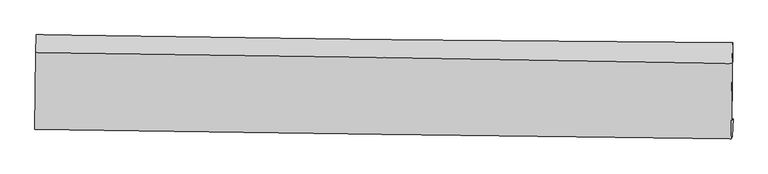
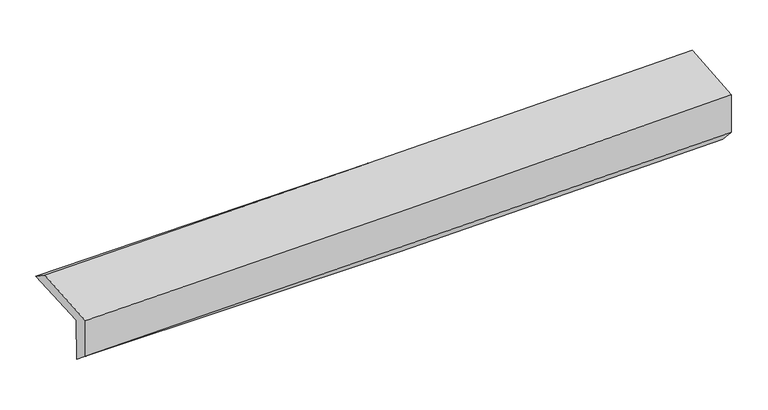
"""IFC4 building model written with IfcOpenShell, lengths in millimetres: proxy geometry."""

from ifc_helpers import new_model, si_unit, frame, origin, place, context, project, spatial, source, transform, mapped, element, save
from ifc_brep_helpers import plane_surface, spline_curve, spline_surface, advanced_brep


def generic_models_818ef852(model_context):
    return source(origin(), model_context, "Body", "AdvancedBrep", [
        advanced_brep(
        [(-3029.0317281, -1763.4785552, 1967.3904431), (-3023.1653873, -1092.5762276, 1996.8031249), (3015.5873338, -1160.831653, 2110.9420675), (3007.2532328, -1841.9560076, 2095.7071531), (-3018.5487882, -1746.2810725, 1565.0756279), (3017.8535165, -1824.56602, 1688.8889116), (-3023.1755391, -1899.056105, 1686.7541412), (3011.6695001, -1979.1800115, 1853.6915432), (-3032.7396468, -1914.7462244, 2053.8059723), (3001.6635099, -1995.5950482, 2237.7019588), (-3027.2888291, -1247.2941235, 2098.0998982), (3008.9216761, -1342.3851615, 2281.1013672)],
        [
            (0, 1),
            (1, 2, spline_curve(3, [(-3023.1653873, -1092.5762276, 1996.8031249), (-2016.284304212, -1108.480415651, 2001.848690528), (-1009.544176835, -1122.120939499, 2013.885354169), (1003.373318189, -1144.871484675, 2051.935568748), (2009.550764623, -1153.982769405, 2077.945219244), (3015.5873338, -1160.831653, 2110.9420675)], [4, 2, 4], [0.0, 9.908511444670332, 19.81425834301424])),
            (2, 3),
            (3, 0, spline_curve(3, [(3007.2532328, -1841.9560076, 2095.7071531), (2001.76987086, -1829.989114821, 2055.604325514), (996.074655986, -1817.466870452, 2024.860038962), (-1016.020212457, -1791.308029786, 1982.082577595), (-2022.419984776, -1777.671123204, 1970.054627804), (-3029.0317281, -1763.4785552, 1967.3904431)], [4, 2, 4], [0.0, 9.90574689834391, 19.81425834301424])),
            (4, 0),
            (3, 5),
            (5, 4, spline_curve(3, [(3017.8535165, -1824.56602, 1688.8889116), (2012.311485461, -1812.695375058, 1651.037692727), (1006.577155896, -1800.237299434, 1621.794547861), (-1005.556838226, -1774.14264456, 1580.518647798), (-2011.956610457, -1760.505737907, 1568.490698147), (-3018.5487882, -1746.2810725, 1565.0756279)], [4, 2, 4], [0.0, 9.904145491511379, 19.8110550824204])),
            (6, 4),
            (5, 7),
            (7, 6, spline_curve(3, [(3011.6695001, -1979.1800115, 1853.6915432), (2005.928109307, -1967.747555739, 1826.072653028), (1000.223822068, -1955.355401219, 1798.353712786), (-1011.391211391, -1928.647968278, 1742.707967948), (-2017.301937617, -1914.332154108, 1714.781107516), (-3023.1755391, -1899.056105, 1686.7541412)], [4, 2, 4], [0.0, 9.903390434558128, 19.809544757788753])),
            (8, 6),
            (7, 9),
            (9, 8, spline_curve(3, [(3001.6635099, -1995.5950482, 2237.7019588), (1996.104231316, -1983.863833791, 2203.093957211), (990.52782656, -1971.261886064, 2170.467152656), (-1020.939883128, -1944.312763911, 2109.167384611), (-2026.831196891, -1929.965103874, 2080.495527097), (-3032.7396468, -1914.7462244, 2053.8059723)], [4, 2, 4], [0.0, 9.903005676690364, 19.80877513467304])),
            (10, 8),
            (9, 11),
            (11, 10, spline_curve(3, [(3008.9216761, -1342.3851615, 2281.1013672), (2003.139223456, -1323.262548552, 2246.97640429), (997.30064557, -1305.777865956, 2214.665674951), (-1014.76949179, -1274.079939052, 2153.664172732), (-2021.001082013, -1259.867608753, 2124.974412316), (-3027.2888291, -1247.2941235, 2098.0998982)], [4, 2, 4], [0.0, 9.904697380000895, 19.812159013423283])),
            (1, 10),
            (11, 2),
        ],
        [
            spline_surface(3, 3, [[(-3029.0317281, -1763.4785552, 1967.3904431), (-2022.419984872, -1777.67112315, 1970.054627931), (-1016.020212587, -1791.308029723, 1982.082577752), (996.074656116, -1817.466870515, 2024.860038805), (2001.769870793, -1829.989114711, 2055.604325653), (3007.2532328, -1841.9560076, 2095.7071531)], [(-3027.076281176, -1539.844446, 1977.194670361), (-2020.374758019, -1554.607553935, 1980.652648738), (-1013.861534009, -1568.245666264, 1992.68350318), (998.507543479, -1593.268408622, 2033.885215472), (2004.363502007, -1604.653666281, 2063.051290208), (3010.031266456, -1614.914556056, 2100.785457881)], [(-3025.120834224, -1316.2103368, 1986.998897639), (-2018.329531138, -1331.543984719, 1991.250669562), (-1011.702855429, -1345.183302801, 2003.284428644), (1000.940430842, -1369.069946725, 2042.910392178), (2006.957133255, -1379.318217883, 2070.498254821), (3012.809300144, -1387.873104544, 2105.863762719)], [(-3023.1653873, -1092.5762276, 1996.8031249), (-2016.284304285, -1108.480415504, 2001.84869037), (-1009.544176851, -1122.120939342, 2013.885354071), (1003.373318205, -1144.871484832, 2051.935568845), (2009.55076447, -1153.982769452, 2077.945219375), (3015.5873338, -1160.831653, 2110.9420675)]], [4, 4], [4, 2, 4], [0.0, 2.2033192346339443], [0.0, 9.908511444670332, 19.81425834301424]),
            spline_surface(3, 3, [[(-3018.5487882, -1746.2810725, 1565.0756279), (-2011.956610459, -1760.505738041, 1568.490698013), (-1005.556838274, -1774.142644715, 1580.518647834), (1006.577155944, -1800.237299279, 1621.794547825), (2012.311485324, -1812.695375113, 1651.037692604), (3017.8535165, -1824.56602, 1688.8889116)], [(-3022.043101472, -1752.01356671, 1699.180566305), (-2015.444401901, -1766.227533054, 1702.345341324), (-1009.044629716, -1779.864439728, 1714.373291146), (1003.076322663, -1805.9804897, 1756.14971149), (2008.797613843, -1818.459954975, 1785.893236975), (3014.32008863, -1830.362682529, 1824.494992121)], [(-3025.537414828, -1757.74606099, 1833.285504695), (-2018.932193429, -1771.949328137, 1836.19998462), (-1012.532421144, -1785.586234711, 1848.227934441), (999.575489397, -1811.723680093, 1890.504875139), (2005.283742273, -1824.22453485, 1920.748781283), (3010.78666067, -1836.159345071, 1960.101072579)], [(-3029.0317281, -1763.4785552, 1967.3904431), (-2022.419984872, -1777.67112315, 1970.054627931), (-1016.020212587, -1791.308029723, 1982.082577752), (996.074656116, -1817.466870515, 2024.860038805), (2001.769870793, -1829.989114711, 2055.604325653), (3007.2532328, -1841.9560076, 2095.7071531)]], [4, 4], [4, 2, 4], [0.0, 1.3215824293358431], [0.0, 9.90690959090902, 19.8110550824204]),
            spline_surface(3, 3, [[(-3023.1755391, -1899.056105, 1686.7541412), (-2017.301937487, -1914.332153947, 1714.781107577), (-1011.391211542, -1928.647968199, 1742.707967966), (1000.223822219, -1955.355401298, 1798.353712768), (2005.928109378, -1967.747555848, 1826.07265307), (3011.6695001, -1979.1800115, 1853.6915432)], [(-3021.633288832, -1848.131094184, 1646.194636773), (-2015.520161843, -1863.056681996, 1666.017637729), (-1009.446420471, -1877.146193677, 1688.644861262), (1002.341600109, -1903.649367264, 1739.500657794), (2008.055901348, -1916.0634956, 1767.727666249), (3013.730838888, -1927.64201433, 1798.757332667)], [(-3020.091038468, -1797.206083316, 1605.635132327), (-2013.738386103, -1811.781209993, 1617.254167862), (-1007.501629345, -1825.644419237, 1634.581754538), (1004.459378054, -1851.943333312, 1680.647602799), (2010.183693354, -1864.379435361, 1709.382679425), (3015.792177712, -1876.10401717, 1743.823122133)], [(-3018.5487882, -1746.2810725, 1565.0756279), (-2011.956610459, -1760.505738041, 1568.490698013), (-1005.556838274, -1774.142644715, 1580.518647834), (1006.577155944, -1800.237299279, 1621.794547825), (2012.311485324, -1812.695375113, 1651.037692604), (3017.8535165, -1824.56602, 1688.8889116)]], [4, 4], [4, 2, 4], [0.0, 0.7530991201329078], [0.0, 9.906154323230625, 19.809544757788753]),
            spline_surface(3, 3, [[(-3032.7396468, -1914.7462244, 2053.8059723), (-2026.831196839, -1929.965103902, 2080.495526942), (-1020.939882967, -1944.312764058, 2109.167384551), (990.527826399, -1971.261885917, 2170.467152716), (1996.104231373, -1983.863833673, 2203.093957276), (3001.6635099, -1995.5950482, 2237.7019588)], [(-3029.551610873, -1909.516184597, 1931.45536192), (-2023.654777028, -1924.754120581, 1958.590720474), (-1017.756992468, -1939.091165439, 1987.014245686), (993.75982503, -1965.959724378, 2046.429339397), (1999.378857356, -1978.491741067, 2077.420189183), (3004.998839948, -1990.123369303, 2109.698486909)], [(-3026.363575027, -1904.286144803, 1809.10475158), (-2020.478357298, -1919.543137268, 1836.685914046), (-1014.574102041, -1933.869566818, 1864.861106831), (996.991823589, -1960.657562837, 1922.391526087), (2002.653483395, -1973.119648453, 1951.746421162), (3008.334170052, -1984.651690397, 1981.695015091)], [(-3023.1755391, -1899.056105, 1686.7541412), (-2017.301937487, -1914.332153947, 1714.781107577), (-1011.391211542, -1928.647968199, 1742.707967966), (1000.223822219, -1955.355401298, 1798.353712768), (2005.928109378, -1967.747555848, 1826.07265307), (3011.6695001, -1979.1800115, 1853.6915432)]], [4, 4], [4, 2, 4], [0.0, 1.213084319332328], [0.0, 9.905769457982677, 19.80877513467304]),
            spline_surface(3, 3, [[(-3027.2888291, -1247.2941235, 2098.0998982), (-2021.001082022, -1259.867608894, 2124.974412241), (-1014.769491642, -1274.079938993, 2153.66417262), (997.300645422, -1305.777866015, 2214.665675063), (2003.13922345, -1323.262548615, 2246.976404383), (3008.9216761, -1342.3851615, 2281.1013672)], [(-3029.105768336, -1469.778157118, 2083.335256246), (-2022.944453631, -1483.233440548, 2110.148117154), (-1016.82628875, -1497.490880687, 2138.831909911), (995.043039082, -1527.605872655, 2199.932834261), (2000.794226119, -1543.462976979, 2232.348922042), (3006.502287394, -1560.121790411, 2266.634897761)], [(-3030.922707564, -1692.262190782, 2068.570614254), (-2024.88782523, -1706.599272248, 2095.321822029), (-1018.883085859, -1720.901822364, 2123.99964726), (992.78543274, -1749.433879277, 2185.199993518), (1998.449228704, -1763.663405309, 2217.721439617), (3004.082898606, -1777.858419289, 2252.168428239)], [(-3032.7396468, -1914.7462244, 2053.8059723), (-2026.831196839, -1929.965103902, 2080.495526942), (-1020.939882967, -1944.312764058, 2109.167384551), (990.527826399, -1971.261885917, 2170.467152716), (1996.104231373, -1983.863833673, 2203.093957276), (3001.6635099, -1995.5950482, 2237.7019588)]], [4, 4], [4, 2, 4], [0.0, 2.1960667822162176], [0.0, 9.907461633422388, 19.812159013423283]),
            spline_surface(3, 3, [[(-3023.1653873, -1092.5762276, 1996.8031249), (-2016.284304285, -1108.480415504, 2001.84869037), (-1009.544176851, -1122.120939342, 2013.885354071), (1003.373318205, -1144.871484832, 2051.935568845), (2009.55076447, -1153.982769452, 2077.945219375), (3015.5873338, -1160.831653, 2110.9420675)], [(-3024.539867911, -1144.148859591, 2030.568715995), (-2017.856563542, -1158.942813325, 2042.890597655), (-1011.285948449, -1172.773939236, 2060.478293611), (1001.349093943, -1198.506945236, 2106.178937608), (2007.413584114, -1210.40936251, 2134.288947705), (3013.365447884, -1221.34948917, 2167.661834061)], [(-3025.914348489, -1195.721491509, 2064.334307105), (-2019.428822765, -1209.405211073, 2083.932504956), (-1013.027720045, -1223.426939099, 2107.071233081), (999.324869684, -1252.14240561, 2160.4223063), (2005.276403806, -1266.835955557, 2190.632676053), (3011.143562016, -1281.86732533, 2224.381600639)], [(-3027.2888291, -1247.2941235, 2098.0998982), (-2021.001082022, -1259.867608894, 2124.974412241), (-1014.769491642, -1274.079938993, 2153.66417262), (997.300645422, -1305.777866015, 2214.665675063), (2003.13922345, -1323.262548615, 2246.976404383), (3008.9216761, -1342.3851615, 2281.1013672)]], [4, 4], [4, 2, 4], [0.0, 0.7141360539021426], [0.0, 9.90938663471765, 19.81600847892453]),
            plane_surface(frame((3010.4914615, -1690.752317, 2044.6721669), z_axis=(0.9995928892325914, -0.012801156293823722, 0.025498748855218554), x_axis=(0.02602396909669128, 0.04269286711631402, -0.9987492538819958))),
            plane_surface(frame((-3025.6583198, -1610.5720514, 1894.654868), z_axis=(-0.9996229565184861, 0.0098640756032227, -0.025625081731280763), x_axis=(-0.008735232423718993, -0.9990022728354965, -0.043796741705472556))),
        ],
        [
            (0, [[1, 2, 3, 4]]),
            (1, [[5, -4, 6, 7]]),
            (2, [[8, -7, 9, 10]]),
            (3, [[11, -10, 12, 13]]),
            (4, [[14, -13, 15, 16]]),
            (5, [[17, -16, 18, -2]]),
            (6, [[-12, -9, -6, -3, -18, -15]]),
            (7, [[-1, -5, -8, -11, -14, -17]]),
        ],
    ),
    ])


if __name__ == "__main__":
    model = new_model("IFC4")
    model_context = context("Model", 3, world=origin())
    ifc_project = project(units=[si_unit("LENGTHUNIT", "METRE", prefix="MILLI")], contexts=[model_context])
    site = spatial("IfcSite", under=ifc_project)
    building = spatial("IfcBuilding", under=site)
    placement = place(None, origin())
    generic_models_shape = generic_models_818ef852(model_context)
    element("IfcBuildingElementProxy", 1, Name="Generic Models", at=placement, inside=building, context=model_context, shape_type="MappedRepresentation", body=[
        mapped(generic_models_shape, transform((0.0, 0.0, 0.0), x_axis=(1.0, 0.0, 0.0), y_axis=(0.0, 1.0, 0.0), z_axis=(0.0, 0.0, 1.0))),
    ])
    save(model, "model.ifc")
